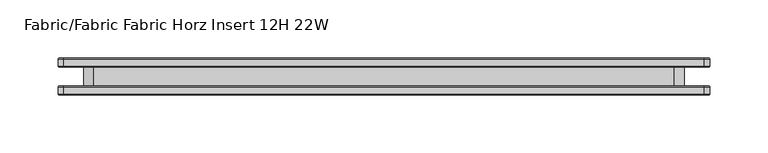
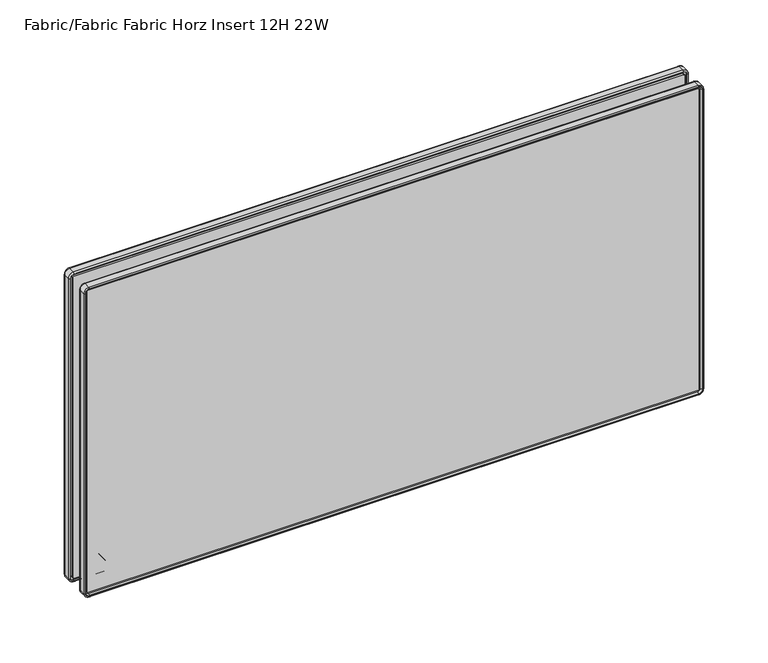
"""IFC4 building model written with IfcOpenShell, lengths in millimetres: furniture geometry, Fabric/Fabric Fabric Horz Insert 12H 22W."""

from ifc_helpers import new_model, si_unit, point, frame, frame_2d, origin, place, context, project, spatial, polyline, circle_curve, ellipse_curve, trimmed, segment, composite_curve, outline, extrude, source, transform, mapped, element, save
from ifc_brep_helpers import plane_surface, cylinder_surface, revolved_surface, advanced_brep


def fabric_fabric_fabric_horz_insert_12h_22w_8825d020(model_context):
    return source(origin(), model_context, "Body", "SolidModel", [
        extrude(outline(composite_curve([segment(trimmed(circle_curve(frame_2d((785.9258601, 60.6967824)), 14.2960031), [point((781.0834991, 47.2458625))], [point((772.4749402, 55.8544214))], False, "CARTESIAN"), True, "CONTINUOUS"), segment(polyline([(772.4749402, 55.8544214), (772.4749402, 553.7455786)]), True, "CONTINUOUS"), segment(trimmed(circle_curve(frame_2d((785.9258601, 548.9032176)), 14.2960031), [point((772.4749402, 553.7455786))], [point((780.5790258, 562.1616892))], False, "CARTESIAN"), True, "CONTINUOUS"), segment(polyline([(780.5790258, 562.1616892), (1019.5568063, 562.1616892)]), True, "CONTINUOUS"), segment(trimmed(circle_curve(frame_2d((1014.209972, 548.9032176)), 14.2960031), [point((1019.5568063, 562.1616892))], [point((1027.6608919, 553.7455786))], False, "CARTESIAN"), True, "CONTINUOUS"), segment(polyline([(1027.6608919, 553.7455786), (1027.6608919, 55.8544214)]), True, "CONTINUOUS"), segment(trimmed(circle_curve(frame_2d((1014.209972, 60.6967824)), 14.2960031), [point((1027.6608919, 55.8544214))], [point((1019.0523331, 47.2458625))], False, "CARTESIAN"), True, "CONTINUOUS"), segment(polyline([(1019.0523331, 47.2458625), (781.0834991, 47.2458625)]), True, "CONTINUOUS")], self_intersect=False)), frame((0.0, -7.9718968, 0.0), z_axis=(0.0, 1.0, 0.0), x_axis=(0.0, 0.0, 1.0)), (0.0, 0.0, 1.0), 15.9437935),
        extrude(outline(composite_curve([segment(trimmed(circle_curve(frame_2d((759.1475985, 29.8962491)), 0.8911416), [point((759.1475985, 29.0051075))], [point((758.256457, 29.8962491))], False, "CARTESIAN"), True, "CONTINUOUS"), segment(polyline([(758.256457, 29.8962491), (758.256457, 579.5091361)]), True, "CONTINUOUS"), segment(trimmed(circle_curve(frame_2d((759.1475985, 579.5091361)), 0.8911416), [point((758.256457, 579.5091361))], [point((759.1475985, 580.4002777))], False, "CARTESIAN"), True, "CONTINUOUS"), segment(polyline([(759.1475985, 580.4002777), (1045.010519, 580.4002777)]), True, "CONTINUOUS"), segment(trimmed(circle_curve(frame_2d((1045.010519, 579.5091361)), 0.8911416), [point((1045.010519, 580.4002777))], [point((1045.9016605, 579.5091361))], False, "CARTESIAN"), True, "CONTINUOUS"), segment(polyline([(1045.9016605, 579.5091361), (1045.9016605, 29.8962491)]), True, "CONTINUOUS"), segment(trimmed(circle_curve(frame_2d((1045.010519, 29.8962491)), 0.8911416), [point((1045.9016605, 29.8962491))], [point((1045.010519, 29.0051075))], False, "CARTESIAN"), True, "CONTINUOUS"), segment(polyline([(1045.010519, 29.0051075), (759.1475985, 29.0051075)]), True, "CONTINUOUS")], self_intersect=False)), frame((0.0, 7.9718968, 0.0), z_axis=(0.0, 1.0, 0.0), x_axis=(0.0, 0.0, 1.0)), (0.0, 0.0, 1.0), 6.1306313),
        extrude(outline(composite_curve([segment(polyline([(1045.010519, 29.0051075), (759.1475985, 29.0051075)]), True, "CONTINUOUS"), segment(trimmed(circle_curve(frame_2d((759.1475985, 29.8962491)), 0.8911416), [point((759.1475985, 29.0051075))], [point((758.256457, 29.8962491))], False, "CARTESIAN"), True, "CONTINUOUS"), segment(polyline([(758.256457, 29.8962491), (758.256457, 579.5091361)]), True, "CONTINUOUS"), segment(trimmed(circle_curve(frame_2d((759.1475985, 579.5091361)), 0.8911416), [point((758.256457, 579.5091361))], [point((759.1475985, 580.4002777))], False, "CARTESIAN"), True, "CONTINUOUS"), segment(polyline([(759.1475985, 580.4002777), (1045.010519, 580.4002777)]), True, "CONTINUOUS"), segment(trimmed(circle_curve(frame_2d((1045.010519, 579.5091361)), 0.8911416), [point((1045.010519, 580.4002777))], [point((1045.9016605, 579.5091361))], False, "CARTESIAN"), True, "CONTINUOUS"), segment(polyline([(1045.9016605, 579.5091361), (1045.9016605, 29.8962491)]), True, "CONTINUOUS"), segment(trimmed(circle_curve(frame_2d((1045.010519, 29.8962491)), 0.8911416), [point((1045.9016605, 29.8962491))], [point((1045.010519, 29.0051075))], False, "CARTESIAN"), True, "CONTINUOUS")], self_intersect=False)), frame((0.0, -14.102528, 0.0), z_axis=(0.0, 1.0, 0.0), x_axis=(0.0, 0.0, 1.0)), (0.0, 0.0, 1.0), 6.1306313),
        advanced_brep(
        [(582.9077917, -7.9718968, 759.1475985), (579.5091361, -7.9718968, 755.7489429), (579.5091361, -9.6721295, 755.7489429), (582.9077917, -9.6721295, 759.1475985), (584.0811361, -9.1452412, 759.1475985), (579.5091361, -9.1452412, 754.5755985), (584.0811361, -14.9826968, 759.1475985), (579.5091361, -14.9826968, 754.5755985), (583.2667038, -15.7971292, 759.1475985), (579.5091361, -15.7971292, 755.3900309), (580.4002777, -9.6721295, 759.1475985), (579.5091361, -9.6721295, 758.256457), (579.5091361, -14.102528, 758.256457), (580.4002777, -14.102528, 759.1475985), (582.9077917, -9.6721295, 1045.010519), (582.9077917, -7.9718968, 1045.010519), (584.0811361, -9.1452412, 1045.010519), (584.0811361, -14.9826968, 1045.010519), (583.2667038, -15.7971292, 1045.010519), (580.4002777, -14.102528, 1045.010519), (580.4002777, -9.6721295, 1045.010519), (579.5091361, -7.9718968, 1048.4091746), (579.5091361, -9.6721295, 1048.4091746), (579.5091361, -9.1452412, 1049.582519), (579.5091361, -14.9826968, 1049.582519), (579.5091361, -15.7971292, 1048.7680866), (579.5091361, -9.6721295, 1045.9016605), (579.5091361, -14.102528, 1045.9016605), (29.8962491, -9.6721295, 1048.4091746), (29.8962491, -7.9718968, 1048.4091746), (29.8962491, -9.1452412, 1049.582519), (29.8962491, -14.9826968, 1049.582519), (29.8962491, -15.7971292, 1048.7680866), (29.8962491, -14.102528, 1045.9016605), (29.8962491, -9.6721295, 1045.9016605), (26.4975935, -7.9718968, 1045.010519), (26.4975935, -9.6721295, 1045.010519), (25.3242491, -9.1452412, 1045.010519), (25.3242491, -14.9826968, 1045.010519), (26.1386815, -15.7971292, 1045.010519), (29.0051075, -9.6721295, 1045.010519), (29.0051075, -14.102528, 1045.010519), (26.4975935, -9.6721295, 759.1475985), (26.4975935, -7.9718968, 759.1475985), (25.3242491, -9.1452412, 759.1475985), (25.3242491, -14.9826968, 759.1475985), (26.1386815, -15.7971292, 759.1475985), (29.0051075, -14.102528, 759.1475985), (29.0051075, -9.6721295, 759.1475985), (29.8962491, -7.9718968, 755.7489429), (29.8962491, -9.6721295, 755.7489429), (29.8962491, -9.1452412, 754.5755985), (29.8962491, -14.9826968, 754.5755985), (29.8962491, -15.7971292, 755.3900309), (29.8962491, -9.6721295, 758.256457), (29.8962491, -14.102528, 758.256457), (579.5091361, -15.7971292, 756.2425504), (29.8962491, -15.7971292, 756.2425504), (26.991201, -15.7971292, 759.1475985), (26.991201, -15.7971292, 1045.010519), (29.8962491, -15.7971292, 1047.9155671), (579.5091361, -15.7971292, 1047.9155671), (582.4141842, -15.7971292, 1045.010519), (582.4141842, -15.7971292, 759.1475985), (581.7973998, -14.102528, 759.1475985), (579.5091361, -14.102528, 756.8593348), (581.7973998, -14.102528, 1045.010519), (579.5091361, -14.102528, 1047.2987827), (29.8962491, -14.102528, 1047.2987827), (27.6079854, -14.102528, 1045.010519), (27.6079854, -14.102528, 759.1475985), (29.8962491, -14.102528, 756.8593348)],
        [
            (0, 1, circle_curve(frame((579.5091361, -7.9718968, 759.1475985), z_axis=(0.0, 1.0, 0.0), x_axis=(0.0, 0.0, -1.0)), 3.3986556)),
            (1, 2),
            (2, 3, circle_curve(frame((579.5091361, -9.6721295, 759.1475985), z_axis=(0.0, -1.0, 0.0), x_axis=(0.0, 0.0, -1.0)), 3.3986556)),
            (3, 0),
            (4, 5, circle_curve(frame((579.5091361, -9.1452412, 759.1475985), z_axis=(0.0, 1.0, 0.0), x_axis=(0.0, 0.0, -1.0)), 4.572)),
            (5, 1, circle_curve(frame((579.5091361, -9.1452412, 755.7489429), z_axis=(1.0, 0.0, 0.0), x_axis=(0.0, 0.0, 1.0)), 1.1733444)),
            (0, 4, circle_curve(frame((582.9077917, -9.1452412, 759.1475985), z_axis=(0.0, 0.0, -1.0), x_axis=(-1.0, 0.0, 0.0)), 1.1733444)),
            (6, 7, circle_curve(frame((579.5091361, -14.9826968, 759.1475985), z_axis=(0.0, 1.0, 0.0), x_axis=(0.0, 0.0, -1.0)), 4.572)),
            (7, 5),
            (4, 6),
            (8, 9, circle_curve(frame((579.5091361, -15.7971292, 759.1475985), z_axis=(0.0, 1.0, 0.0), x_axis=(0.0, 0.0, -1.0)), 3.7575676)),
            (9, 7, circle_curve(frame((579.5091361, -14.9826968, 755.3900309), z_axis=(1.0, 0.0, 0.0), x_axis=(0.0, 0.0, 1.0)), 0.8144324)),
            (6, 8, circle_curve(frame((583.2667038, -14.9826968, 759.1475985), z_axis=(0.0, 0.0, -1.0), x_axis=(-1.0, 0.0, 0.0)), 0.8144324)),
            (10, 11, circle_curve(frame((579.5091361, -9.6721295, 759.1475985), z_axis=(0.0, 1.0, 0.0), x_axis=(0.0, 0.0, -1.0)), 0.8911416)),
            (11, 12),
            (12, 13, circle_curve(frame((579.5091361, -14.102528, 759.1475985), z_axis=(0.0, -1.0, 0.0), x_axis=(0.0, 0.0, -1.0)), 0.8911416)),
            (13, 10),
            (3, 14),
            (14, 15),
            (15, 0),
            (15, 16, circle_curve(frame((582.9077917, -9.1452412, 1045.010519), z_axis=(0.0, 0.0, -1.0), x_axis=(-1.0, 0.0, 0.0)), 1.1733444)),
            (16, 4),
            (16, 17),
            (17, 6),
            (17, 18, circle_curve(frame((583.2667038, -14.9826968, 1045.010519), z_axis=(0.0, 0.0, -1.0), x_axis=(-1.0, 0.0, 0.0)), 0.8144324)),
            (18, 8),
            (13, 19),
            (19, 20),
            (20, 10),
            (21, 15, circle_curve(frame((579.5091361, -7.9718968, 1045.010519), z_axis=(0.0, 1.0, 0.0), x_axis=(1.0, 0.0, 0.0)), 3.3986556)),
            (14, 22, circle_curve(frame((579.5091361, -9.6721295, 1045.010519), z_axis=(0.0, -1.0, 0.0), x_axis=(1.0, 0.0, 0.0)), 3.3986556)),
            (22, 21),
            (23, 16, circle_curve(frame((579.5091361, -9.1452412, 1045.010519), z_axis=(0.0, 1.0, 0.0), x_axis=(1.0, 0.0, 0.0)), 4.572)),
            (21, 23, circle_curve(frame((579.5091361, -9.1452412, 1048.4091746), z_axis=(1.0, 0.0, 0.0), x_axis=(0.0, 0.0, -1.0)), 1.1733444)),
            (24, 17, circle_curve(frame((579.5091361, -14.9826968, 1045.010519), z_axis=(0.0, 1.0, 0.0), x_axis=(1.0, 0.0, 0.0)), 4.572)),
            (23, 24),
            (25, 18, circle_curve(frame((579.5091361, -15.7971292, 1045.010519), z_axis=(0.0, 1.0, 0.0), x_axis=(1.0, 0.0, 0.0)), 3.7575676)),
            (24, 25, circle_curve(frame((579.5091361, -14.9826968, 1048.7680866), z_axis=(1.0, 0.0, 0.0), x_axis=(0.0, 0.0, -1.0)), 0.8144324)),
            (26, 20, circle_curve(frame((579.5091361, -9.6721295, 1045.010519), z_axis=(0.0, 1.0, 0.0), x_axis=(1.0, 0.0, 0.0)), 0.8911416)),
            (19, 27, circle_curve(frame((579.5091361, -14.102528, 1045.010519), z_axis=(0.0, -1.0, 0.0), x_axis=(1.0, 0.0, 0.0)), 0.8911416)),
            (27, 26),
            (22, 28),
            (28, 29),
            (29, 21),
            (29, 30, circle_curve(frame((29.8962491, -9.1452412, 1048.4091746), z_axis=(1.0, 0.0, 0.0), x_axis=(0.0, 0.0, -1.0)), 1.1733444)),
            (30, 23),
            (30, 31),
            (31, 24),
            (31, 32, circle_curve(frame((29.8962491, -14.9826968, 1048.7680866), z_axis=(1.0, 0.0, 0.0), x_axis=(0.0, 0.0, -1.0)), 0.8144324)),
            (32, 25),
            (27, 33),
            (33, 34),
            (34, 26),
            (35, 29, circle_curve(frame((29.8962491, -7.9718968, 1045.010519), z_axis=(0.0, 1.0, 0.0), x_axis=(0.0, 0.0, 1.0)), 3.3986556)),
            (28, 36, circle_curve(frame((29.8962491, -9.6721295, 1045.010519), z_axis=(0.0, -1.0, 0.0), x_axis=(0.0, 0.0, 1.0)), 3.3986556)),
            (36, 35),
            (37, 30, circle_curve(frame((29.8962491, -9.1452412, 1045.010519), z_axis=(0.0, 1.0, 0.0), x_axis=(0.0, 0.0, 1.0)), 4.572)),
            (35, 37, circle_curve(frame((26.4975935, -9.1452412, 1045.010519), z_axis=(0.0, 0.0, 1.0), x_axis=(1.0, 0.0, 0.0)), 1.1733444)),
            (38, 31, circle_curve(frame((29.8962491, -14.9826968, 1045.010519), z_axis=(0.0, 1.0, 0.0), x_axis=(0.0, 0.0, 1.0)), 4.572)),
            (37, 38),
            (39, 32, circle_curve(frame((29.8962491, -15.7971292, 1045.010519), z_axis=(0.0, 1.0, 0.0), x_axis=(0.0, 0.0, 1.0)), 3.7575676)),
            (38, 39, circle_curve(frame((26.1386815, -14.9826968, 1045.010519), z_axis=(0.0, 0.0, 1.0), x_axis=(1.0, 0.0, 0.0)), 0.8144324)),
            (40, 34, circle_curve(frame((29.8962491, -9.6721295, 1045.010519), z_axis=(0.0, 1.0, 0.0), x_axis=(0.0, 0.0, 1.0)), 0.8911416)),
            (33, 41, circle_curve(frame((29.8962491, -14.102528, 1045.010519), z_axis=(0.0, -1.0, 0.0), x_axis=(0.0, 0.0, 1.0)), 0.8911416)),
            (41, 40),
            (36, 42),
            (42, 43),
            (43, 35),
            (43, 44, circle_curve(frame((26.4975935, -9.1452412, 759.1475985), z_axis=(0.0, 0.0, 1.0), x_axis=(1.0, 0.0, 0.0)), 1.1733444)),
            (44, 37),
            (44, 45),
            (45, 38),
            (45, 46, circle_curve(frame((26.1386815, -14.9826968, 759.1475985), z_axis=(0.0, 0.0, 1.0), x_axis=(1.0, 0.0, 0.0)), 0.8144324)),
            (46, 39),
            (41, 47),
            (47, 48),
            (48, 40),
            (49, 43, circle_curve(frame((29.8962491, -7.9718968, 759.1475985), z_axis=(0.0, 1.0, 0.0), x_axis=(-1.0, 0.0, 0.0)), 3.3986556)),
            (42, 50, circle_curve(frame((29.8962491, -9.6721295, 759.1475985), z_axis=(0.0, -1.0, 0.0), x_axis=(-1.0, 0.0, 0.0)), 3.3986556)),
            (50, 49),
            (51, 44, circle_curve(frame((29.8962491, -9.1452412, 759.1475985), z_axis=(0.0, 1.0, 0.0), x_axis=(-1.0, 0.0, 0.0)), 4.572)),
            (49, 51, circle_curve(frame((29.8962491, -9.1452412, 755.7489429), z_axis=(-1.0, 0.0, 0.0), x_axis=(0.0, 0.0, 1.0)), 1.1733444)),
            (52, 45, circle_curve(frame((29.8962491, -14.9826968, 759.1475985), z_axis=(0.0, 1.0, 0.0), x_axis=(-1.0, 0.0, 0.0)), 4.572)),
            (51, 52),
            (53, 46, circle_curve(frame((29.8962491, -15.7971292, 759.1475985), z_axis=(0.0, 1.0, 0.0), x_axis=(-1.0, 0.0, 0.0)), 3.7575676)),
            (52, 53, circle_curve(frame((29.8962491, -14.9826968, 755.3900309), z_axis=(-1.0, 0.0, 0.0), x_axis=(0.0, 0.0, 1.0)), 0.8144324)),
            (54, 48, circle_curve(frame((29.8962491, -9.6721295, 759.1475985), z_axis=(0.0, 1.0, 0.0), x_axis=(-1.0, 0.0, 0.0)), 0.8911416)),
            (47, 55, circle_curve(frame((29.8962491, -14.102528, 759.1475985), z_axis=(0.0, -1.0, 0.0), x_axis=(-1.0, 0.0, 0.0)), 0.8911416)),
            (55, 54),
            (2, 50),
            (54, 11),
            (1, 49),
            (5, 51),
            (7, 52),
            (9, 53),
            (56, 57),
            (57, 58, circle_curve(frame((29.8962491, -15.7971292, 759.1475985), z_axis=(0.0, 1.0, 0.0), x_axis=(-1.0, 0.0, 0.0)), 2.9050481)),
            (58, 59),
            (59, 60, circle_curve(frame((29.8962491, -15.7971292, 1045.010519), z_axis=(0.0, 1.0, 0.0), x_axis=(0.0, 0.0, 1.0)), 2.9050481)),
            (60, 61),
            (61, 62, circle_curve(frame((579.5091361, -15.7971292, 1045.010519), z_axis=(0.0, 1.0, 0.0), x_axis=(1.0, 0.0, 0.0)), 2.9050481)),
            (62, 63),
            (63, 56, circle_curve(frame((579.5091361, -15.7971292, 759.1475985), z_axis=(0.0, 1.0, 0.0), x_axis=(0.0, 0.0, -1.0)), 2.9050481)),
            (55, 12),
            (64, 65, circle_curve(frame((579.5091361, -14.102528, 759.1475985), z_axis=(0.0, 1.0, 0.0), x_axis=(0.0, 0.0, -1.0)), 2.2882637)),
            (65, 56),
            (63, 64),
            (62, 66),
            (66, 64),
            (67, 66, circle_curve(frame((579.5091361, -14.102528, 1045.010519), z_axis=(0.0, 1.0, 0.0), x_axis=(1.0, 0.0, 0.0)), 2.2882637)),
            (61, 67),
            (60, 68),
            (68, 67),
            (69, 68, circle_curve(frame((29.8962491, -14.102528, 1045.010519), z_axis=(0.0, 1.0, 0.0), x_axis=(0.0, 0.0, 1.0)), 2.2882637)),
            (59, 69),
            (58, 70),
            (70, 69),
            (71, 70, circle_curve(frame((29.8962491, -14.102528, 759.1475985), z_axis=(0.0, 1.0, 0.0), x_axis=(-1.0, 0.0, 0.0)), 2.2882637)),
            (57, 71),
            (65, 71),
        ],
        [
            revolved_surface(polyline([(579.5091361, -9.6721295, 755.7489429), (579.5091361, -7.9718968, 755.7489429)]), (579.5091361, 0.0, 759.1475985), (0.0, -1.0, 0.0)),
            revolved_surface(trimmed(ellipse_curve(frame((579.5091361, -9.1452412, 755.7489429), z_axis=(-1.0, 0.0, 0.0), x_axis=(0.0, 0.0, 1.0)), 1.1733444, 1.1733444), [point((579.5091361, -7.9718968, 755.7489429))], [point((579.5091361, -9.1452412, 754.5755985))], True, "CARTESIAN"), (579.5091361, 0.0, 759.1475985), (0.0, -1.0, 0.0)),
            cylinder_surface(frame((579.5091361, 0.0, 759.1475985), z_axis=(0.0, -1.0, 0.0), x_axis=(0.0, 0.0, -1.0)), 4.572),
            revolved_surface(trimmed(ellipse_curve(frame((579.5091361, -14.9826968, 755.3900309), z_axis=(-1.0, 0.0, 0.0), x_axis=(0.0, 0.0, 1.0)), 0.8144324, 0.8144324), [point((579.5091361, -14.9826968, 754.5755985))], [point((579.5091361, -15.7971292, 755.3900309))], True, "CARTESIAN"), (579.5091361, 0.0, 759.1475985), (0.0, -1.0, 0.0)),
            revolved_surface(polyline([(579.5091361, -14.102528, 758.2564569), (579.5091361, -9.6721295, 758.2564569)]), (579.5091361, 0.0, 759.1475985), (0.0, -1.0, 0.0)),
            plane_surface(frame((582.9077917, -9.6721295, 759.1475985), z_axis=(-1.0, 0.0, 0.0), x_axis=(0.0, 0.0, 1.0))),
            cylinder_surface(frame((582.9077917, -9.1452412, 759.1475985), z_axis=(0.0, 0.0, -1.0), x_axis=(-1.0, 0.0, 0.0)), 1.1733444),
            plane_surface(frame((584.0811361, -9.1452412, 759.1475985), z_axis=(1.0, 0.0, 0.0), x_axis=(0.0, 0.0, 1.0))),
            cylinder_surface(frame((583.2667038, -14.9826968, 759.1475985), z_axis=(0.0, 0.0, -1.0), x_axis=(-1.0, 0.0, 0.0)), 0.8144324),
            plane_surface(frame((580.4002777, -14.102528, 759.1475985), z_axis=(-1.0, 0.0, 0.0), x_axis=(0.0, 0.0, 1.0))),
            revolved_surface(polyline([(582.9077917, -9.6721295, 1045.010519), (582.9077917, -7.9718968, 1045.010519)]), (579.5091361, 0.0, 1045.010519), (0.0, -1.0, 0.0)),
            revolved_surface(trimmed(ellipse_curve(frame((582.9077917, -9.1452412, 1045.010519), z_axis=(0.0, 0.0, -1.0), x_axis=(-1.0, 0.0, 0.0)), 1.1733444, 1.1733444), [point((582.9077917, -7.9718968, 1045.010519))], [point((584.0811361, -9.1452412, 1045.010519))], True, "CARTESIAN"), (579.5091361, 0.0, 1045.010519), (0.0, -1.0, 0.0)),
            cylinder_surface(frame((579.5091361, 0.0, 1045.010519), z_axis=(0.0, -1.0, 0.0), x_axis=(1.0, 0.0, 0.0)), 4.572),
            revolved_surface(trimmed(ellipse_curve(frame((583.2667038, -14.9826968, 1045.010519), z_axis=(0.0, 0.0, -1.0), x_axis=(-1.0, 0.0, 0.0)), 0.8144324, 0.8144324), [point((584.0811361, -14.9826968, 1045.010519))], [point((583.2667038, -15.7971292, 1045.010519))], True, "CARTESIAN"), (579.5091361, 0.0, 1045.010519), (0.0, -1.0, 0.0)),
            revolved_surface(polyline([(580.4002777, -14.102528, 1045.010519), (580.4002777, -9.6721295, 1045.010519)]), (579.5091361, 0.0, 1045.010519), (0.0, -1.0, 0.0)),
            plane_surface(frame((579.5091361, -9.6721295, 1048.4091746), z_axis=(0.0, 0.0, -1.0), x_axis=(-1.0, 0.0, 0.0))),
            cylinder_surface(frame((579.5091361, -9.1452412, 1048.4091746), z_axis=(1.0, 0.0, 0.0), x_axis=(0.0, 0.0, -1.0)), 1.1733444),
            plane_surface(frame((579.5091361, -9.1452412, 1049.582519), z_axis=(0.0, 0.0, 1.0), x_axis=(-1.0, 0.0, 0.0))),
            cylinder_surface(frame((579.5091361, -14.9826968, 1048.7680866), z_axis=(1.0, 0.0, 0.0), x_axis=(0.0, 0.0, -1.0)), 0.8144324),
            plane_surface(frame((579.5091361, -14.102528, 1045.9016605), z_axis=(0.0, 0.0, -1.0), x_axis=(-1.0, 0.0, 0.0))),
            revolved_surface(polyline([(29.8962491, -9.6721295, 1048.4091746), (29.8962491, -7.9718968, 1048.4091746)]), (29.8962491, 0.0, 1045.010519), (0.0, -1.0, 0.0)),
            revolved_surface(trimmed(ellipse_curve(frame((29.8962491, -9.1452412, 1048.4091746), z_axis=(1.0, 0.0, 0.0), x_axis=(0.0, 0.0, -1.0)), 1.1733444, 1.1733444), [point((29.8962491, -7.9718968, 1048.4091746))], [point((29.8962491, -9.1452412, 1049.582519))], True, "CARTESIAN"), (29.8962491, 0.0, 1045.010519), (0.0, -1.0, 0.0)),
            cylinder_surface(frame((29.8962491, 0.0, 1045.010519), z_axis=(0.0, -1.0, 0.0), x_axis=(0.0, 0.0, 1.0)), 4.572),
            revolved_surface(trimmed(ellipse_curve(frame((29.8962491, -14.9826968, 1048.7680866), z_axis=(1.0, 0.0, 0.0), x_axis=(0.0, 0.0, -1.0)), 0.8144324, 0.8144324), [point((29.8962491, -14.9826968, 1049.582519))], [point((29.8962491, -15.7971292, 1048.7680866))], True, "CARTESIAN"), (29.8962491, 0.0, 1045.010519), (0.0, -1.0, 0.0)),
            revolved_surface(polyline([(29.8962491, -14.102528, 1045.9016606), (29.8962491, -9.6721295, 1045.9016606)]), (29.8962491, 0.0, 1045.010519), (0.0, -1.0, 0.0)),
            plane_surface(frame((26.4975935, -9.6721295, 1045.010519), z_axis=(1.0, 0.0, 0.0), x_axis=(0.0, 0.0, -1.0))),
            cylinder_surface(frame((26.4975935, -9.1452412, 1045.010519), z_axis=(0.0, 0.0, 1.0), x_axis=(1.0, 0.0, 0.0)), 1.1733444),
            plane_surface(frame((25.3242491, -9.1452412, 1045.010519), z_axis=(-1.0, 0.0, 0.0), x_axis=(0.0, 0.0, -1.0))),
            cylinder_surface(frame((26.1386815, -14.9826968, 1045.010519), z_axis=(0.0, 0.0, 1.0), x_axis=(1.0, 0.0, 0.0)), 0.8144324),
            plane_surface(frame((29.0051075, -14.102528, 1045.010519), z_axis=(1.0, 0.0, 0.0), x_axis=(0.0, 0.0, -1.0))),
            revolved_surface(polyline([(26.497593499999997, -9.6721295, 759.1475985), (26.497593499999997, -7.9718968, 759.1475985)]), (29.8962491, 0.0, 759.1475985), (0.0, -1.0, 0.0)),
            revolved_surface(trimmed(ellipse_curve(frame((26.4975935, -9.1452412, 759.1475985), z_axis=(0.0, 0.0, 1.0), x_axis=(1.0, 0.0, 0.0)), 1.1733444, 1.1733444), [point((26.4975935, -7.9718968, 759.1475985))], [point((25.3242491, -9.1452412, 759.1475985))], True, "CARTESIAN"), (29.8962491, 0.0, 759.1475985), (0.0, -1.0, 0.0)),
            cylinder_surface(frame((29.8962491, 0.0, 759.1475985), z_axis=(0.0, -1.0, 0.0), x_axis=(-1.0, 0.0, 0.0)), 4.572),
            revolved_surface(trimmed(ellipse_curve(frame((26.1386815, -14.9826968, 759.1475985), z_axis=(0.0, 0.0, 1.0), x_axis=(1.0, 0.0, 0.0)), 0.8144324, 0.8144324), [point((25.3242491, -14.9826968, 759.1475985))], [point((26.1386815, -15.7971292, 759.1475985))], True, "CARTESIAN"), (29.8962491, 0.0, 759.1475985), (0.0, -1.0, 0.0)),
            revolved_surface(polyline([(29.005107499999998, -14.102528, 759.1475985), (29.005107499999998, -9.6721295, 759.1475985)]), (29.8962491, 0.0, 759.1475985), (0.0, -1.0, 0.0)),
            plane_surface(frame((29.8962491, -9.6721295, 758.256457), z_axis=(0.0, 1.0, 0.0), x_axis=(1.0, 0.0, 0.0))),
            plane_surface(frame((29.8962491, -9.6721295, 755.7489429), z_axis=(0.0, 0.0, 1.0), x_axis=(1.0, 0.0, 0.0))),
            cylinder_surface(frame((29.8962491, -9.1452412, 755.7489429), z_axis=(-1.0, 0.0, 0.0), x_axis=(0.0, 0.0, 1.0)), 1.1733444),
            plane_surface(frame((29.8962491, -9.1452412, 754.5755985), z_axis=(0.0, 0.0, -1.0), x_axis=(1.0, 0.0, 0.0))),
            cylinder_surface(frame((29.8962491, -14.9826968, 755.3900309), z_axis=(-1.0, 0.0, 0.0), x_axis=(0.0, 0.0, 1.0)), 0.8144324),
            plane_surface(frame((29.8962491, -15.7971292, 755.3900309), z_axis=(0.0, -1.0, 0.0), x_axis=(1.0, 0.0, 0.0))),
            plane_surface(frame((29.8962491, -14.102528, 758.256457), z_axis=(0.0, 0.0, 1.0), x_axis=(1.0, 0.0, 0.0))),
            revolved_surface(polyline([(579.5091361, -15.7971292, 756.2425504), (579.5091361, -14.102528, 756.8593348)]), (579.5091361, 0.0, 759.1475985), (0.0, -1.0, 0.0)),
            plane_surface(frame((582.4141842, -15.7971292, 759.1475985), z_axis=(-0.9396926207859183, -0.34202014332564146, 0.0), x_axis=(0.0, 0.0, 1.0))),
            revolved_surface(polyline([(582.4141842, -15.7971292, 1045.010519), (581.7973998, -14.102528, 1045.010519)]), (579.5091361, 0.0, 1045.010519), (0.0, -1.0, 0.0)),
            plane_surface(frame((579.5091361, -15.7971292, 1047.9155671), z_axis=(0.0, -0.34202014332564146, -0.9396926207859183), x_axis=(-1.0, 0.0, 0.0))),
            revolved_surface(polyline([(29.8962491, -15.7971292, 1047.9155671), (29.8962491, -14.102528, 1047.2987827)]), (29.8962491, 0.0, 1045.010519), (0.0, -1.0, 0.0)),
            plane_surface(frame((26.991201, -15.7971292, 1045.010519), z_axis=(0.9396926207859183, -0.34202014332564146, 0.0), x_axis=(0.0, 0.0, -1.0))),
            revolved_surface(polyline([(26.991201, -15.7971292, 759.1475985), (27.6079854, -14.102528, 759.1475985)]), (29.8962491, 0.0, 759.1475985), (0.0, -1.0, 0.0)),
            plane_surface(frame((29.8962491, -15.7971292, 756.2425504), z_axis=(0.0, -0.34202014332564146, 0.9396926207859183), x_axis=(1.0, 0.0, 0.0))),
            plane_surface(frame((29.8962491, -14.102528, 756.8593348), z_axis=(0.0, -1.0, 0.0), x_axis=(1.0, 0.0, 0.0))),
        ],
        [
            (0, [[1, 2, 3, 4]]),
            (1, [[5, 6, -1, 7]]),
            (2, [[8, 9, -5, 10]]),
            (3, [[11, 12, -8, 13]]),
            (4, [[14, 15, 16, 17]]),
            (5, [[-4, 18, 19, 20]]),
            (6, [[-7, -20, 21, 22]]),
            (7, [[-10, -22, 23, 24]]),
            (8, [[-13, -24, 25, 26]]),
            (9, [[-17, 27, 28, 29]]),
            (10, [[30, -19, 31, 32]]),
            (11, [[33, -21, -30, 34]]),
            (12, [[35, -23, -33, 36]]),
            (13, [[37, -25, -35, 38]]),
            (14, [[39, -28, 40, 41]]),
            (15, [[-32, 42, 43, 44]]),
            (16, [[-34, -44, 45, 46]]),
            (17, [[-36, -46, 47, 48]]),
            (18, [[-38, -48, 49, 50]]),
            (19, [[-41, 51, 52, 53]]),
            (20, [[54, -43, 55, 56]]),
            (21, [[57, -45, -54, 58]]),
            (22, [[59, -47, -57, 60]]),
            (23, [[61, -49, -59, 62]]),
            (24, [[63, -52, 64, 65]]),
            (25, [[-56, 66, 67, 68]]),
            (26, [[-58, -68, 69, 70]]),
            (27, [[-60, -70, 71, 72]]),
            (28, [[-62, -72, 73, 74]]),
            (29, [[-65, 75, 76, 77]]),
            (30, [[78, -67, 79, 80]]),
            (31, [[81, -69, -78, 82]]),
            (32, [[83, -71, -81, 84]]),
            (33, [[85, -73, -83, 86]]),
            (34, [[87, -76, 88, 89]]),
            (35, [[90, -79, -66, -55, -42, -31, -18, -3], [-77, -87, 91, -14, -29, -39, -53, -63]]),
            (36, [[-80, -90, -2, 92]]),
            (37, [[-82, -92, -6, 93]]),
            (38, [[-84, -93, -9, 94]]),
            (39, [[-86, -94, -12, 95]]),
            (40, [[-74, -85, -95, -11, -26, -37, -50, -61], [96, 97, 98, 99, 100, 101, 102, 103]]),
            (41, [[-89, 104, -15, -91]]),
            (42, [[105, 106, -103, 107]]),
            (43, [[-107, -102, 108, 109]]),
            (44, [[110, -108, -101, 111]]),
            (45, [[-111, -100, 112, 113]]),
            (46, [[114, -112, -99, 115]]),
            (47, [[-115, -98, 116, 117]]),
            (48, [[118, -116, -97, 119]]),
            (49, [[-119, -96, -106, 120]]),
            (50, [[-117, -118, -120, -105, -109, -110, -113, -114], [-104, -88, -75, -64, -51, -40, -27, -16]]),
        ],
    ),
        advanced_brep(
        [(580.4002777, 14.102528, 759.1475985), (579.5091361, 14.102528, 758.256457), (579.5091361, 9.6721295, 758.256457), (580.4002777, 9.6721295, 759.1475985), (582.4141842, 15.7971292, 759.1475985), (579.5091361, 15.7971292, 756.2425504), (579.5091361, 14.102528, 756.8593348), (581.7973998, 14.102528, 759.1475985), (584.0811361, 14.9826968, 759.1475985), (579.5091361, 14.9826968, 754.5755985), (579.5091361, 15.7971292, 755.3900309), (583.2667038, 15.7971292, 759.1475985), (584.0811361, 9.1452412, 759.1475985), (579.5091361, 9.1452412, 754.5755985), (582.9077917, 7.9718968, 759.1475985), (579.5091361, 7.9718968, 755.7489429), (582.9077917, 9.6721295, 759.1475985), (579.5091361, 9.6721295, 755.7489429), (580.4002777, 9.6721295, 1045.010519), (580.4002777, 14.102528, 1045.010519), (581.7973998, 14.102528, 1045.010519), (582.4141842, 15.7971292, 1045.010519), (583.2667038, 15.7971292, 1045.010519), (584.0811361, 14.9826968, 1045.010519), (584.0811361, 9.1452412, 1045.010519), (582.9077917, 7.9718968, 1045.010519), (582.9077917, 9.6721295, 1045.010519), (579.5091361, 14.102528, 1045.9016605), (579.5091361, 9.6721295, 1045.9016605), (579.5091361, 15.7971292, 1047.9155671), (579.5091361, 14.102528, 1047.2987827), (579.5091361, 14.9826968, 1049.582519), (579.5091361, 15.7971292, 1048.7680866), (579.5091361, 9.1452412, 1049.582519), (579.5091361, 7.9718968, 1048.4091746), (579.5091361, 9.6721295, 1048.4091746), (29.8962491, 9.6721295, 1045.9016605), (29.8962491, 14.102528, 1045.9016605), (29.8962491, 14.102528, 1047.2987827), (29.8962491, 15.7971292, 1047.9155671), (29.8962491, 15.7971292, 1048.7680866), (29.8962491, 14.9826968, 1049.582519), (29.8962491, 9.1452412, 1049.582519), (29.8962491, 7.9718968, 1048.4091746), (29.8962491, 9.6721295, 1048.4091746), (29.0051075, 14.102528, 1045.010519), (29.0051075, 9.6721295, 1045.010519), (26.991201, 15.7971292, 1045.010519), (27.6079854, 14.102528, 1045.010519), (25.3242491, 14.9826968, 1045.010519), (26.1386815, 15.7971292, 1045.010519), (25.3242491, 9.1452412, 1045.010519), (26.4975935, 7.9718968, 1045.010519), (26.4975935, 9.6721295, 1045.010519), (29.0051075, 9.6721295, 759.1475985), (29.0051075, 14.102528, 759.1475985), (27.6079854, 14.102528, 759.1475985), (26.991201, 15.7971292, 759.1475985), (26.1386815, 15.7971292, 759.1475985), (25.3242491, 14.9826968, 759.1475985), (25.3242491, 9.1452412, 759.1475985), (26.4975935, 7.9718968, 759.1475985), (26.4975935, 9.6721295, 759.1475985), (29.8962491, 14.102528, 758.256457), (29.8962491, 9.6721295, 758.256457), (29.8962491, 15.7971292, 756.2425504), (29.8962491, 14.102528, 756.8593348), (29.8962491, 14.9826968, 754.5755985), (29.8962491, 15.7971292, 755.3900309), (29.8962491, 9.1452412, 754.5755985), (29.8962491, 7.9718968, 755.7489429), (29.8962491, 9.6721295, 755.7489429)],
        [
            (0, 1, circle_curve(frame((579.5091361, 14.102528, 759.1475985), z_axis=(0.0, 1.0, 0.0), x_axis=(0.0, 0.0, -1.0)), 0.8911416)),
            (1, 2),
            (2, 3, circle_curve(frame((579.5091361, 9.6721295, 759.1475985), z_axis=(0.0, -1.0, 0.0), x_axis=(0.0, 0.0, -1.0)), 0.8911416)),
            (3, 0),
            (4, 5, circle_curve(frame((579.5091361, 15.7971292, 759.1475985), z_axis=(0.0, 1.0, 0.0), x_axis=(0.0, 0.0, -1.0)), 2.9050481)),
            (5, 6),
            (6, 7, circle_curve(frame((579.5091361, 14.102528, 759.1475985), z_axis=(0.0, -1.0, 0.0), x_axis=(0.0, 0.0, -1.0)), 2.2882637)),
            (7, 4),
            (8, 9, circle_curve(frame((579.5091361, 14.9826968, 759.1475985), z_axis=(0.0, 1.0, 0.0), x_axis=(0.0, 0.0, -1.0)), 4.572)),
            (9, 10, circle_curve(frame((579.5091361, 14.9826968, 755.3900309), z_axis=(1.0, 0.0, 0.0), x_axis=(0.0, 0.0, 1.0)), 0.8144324)),
            (10, 11, circle_curve(frame((579.5091361, 15.7971292, 759.1475985), z_axis=(0.0, -1.0, 0.0), x_axis=(0.0, 0.0, -1.0)), 3.7575676)),
            (11, 8, circle_curve(frame((583.2667038, 14.9826968, 759.1475985), z_axis=(0.0, 0.0, -1.0), x_axis=(-1.0, 0.0, 0.0)), 0.8144324)),
            (12, 13, circle_curve(frame((579.5091361, 9.1452412, 759.1475985), z_axis=(0.0, 1.0, 0.0), x_axis=(0.0, 0.0, -1.0)), 4.572)),
            (13, 9),
            (8, 12),
            (14, 15, circle_curve(frame((579.5091361, 7.9718968, 759.1475985), z_axis=(0.0, 1.0, 0.0), x_axis=(0.0, 0.0, -1.0)), 3.3986556)),
            (15, 13, circle_curve(frame((579.5091361, 9.1452412, 755.7489429), z_axis=(1.0, 0.0, 0.0), x_axis=(0.0, 0.0, 1.0)), 1.1733444)),
            (12, 14, circle_curve(frame((582.9077917, 9.1452412, 759.1475985), z_axis=(0.0, 0.0, -1.0), x_axis=(-1.0, 0.0, 0.0)), 1.1733444)),
            (16, 17, circle_curve(frame((579.5091361, 9.6721295, 759.1475985), z_axis=(0.0, 1.0, 0.0), x_axis=(0.0, 0.0, -1.0)), 3.3986556)),
            (17, 15),
            (14, 16),
            (3, 18),
            (18, 19),
            (19, 0),
            (7, 20),
            (20, 21),
            (21, 4),
            (11, 22),
            (22, 23, circle_curve(frame((583.2667038, 14.9826968, 1045.010519), z_axis=(0.0, 0.0, -1.0), x_axis=(-1.0, 0.0, 0.0)), 0.8144324)),
            (23, 8),
            (23, 24),
            (24, 12),
            (24, 25, circle_curve(frame((582.9077917, 9.1452412, 1045.010519), z_axis=(0.0, 0.0, -1.0), x_axis=(-1.0, 0.0, 0.0)), 1.1733444)),
            (25, 14),
            (25, 26),
            (26, 16),
            (27, 19, circle_curve(frame((579.5091361, 14.102528, 1045.010519), z_axis=(0.0, 1.0, 0.0), x_axis=(1.0, 0.0, 0.0)), 0.8911416)),
            (18, 28, circle_curve(frame((579.5091361, 9.6721295, 1045.010519), z_axis=(0.0, -1.0, 0.0), x_axis=(1.0, 0.0, 0.0)), 0.8911416)),
            (28, 27),
            (29, 21, circle_curve(frame((579.5091361, 15.7971292, 1045.010519), z_axis=(0.0, 1.0, 0.0), x_axis=(1.0, 0.0, 0.0)), 2.9050481)),
            (20, 30, circle_curve(frame((579.5091361, 14.102528, 1045.010519), z_axis=(0.0, -1.0, 0.0), x_axis=(1.0, 0.0, 0.0)), 2.2882637)),
            (30, 29),
            (31, 23, circle_curve(frame((579.5091361, 14.9826968, 1045.010519), z_axis=(0.0, 1.0, 0.0), x_axis=(1.0, 0.0, 0.0)), 4.572)),
            (22, 32, circle_curve(frame((579.5091361, 15.7971292, 1045.010519), z_axis=(0.0, -1.0, 0.0), x_axis=(1.0, 0.0, 0.0)), 3.7575676)),
            (32, 31, circle_curve(frame((579.5091361, 14.9826968, 1048.7680866), z_axis=(1.0, 0.0, 0.0), x_axis=(0.0, 0.0, -1.0)), 0.8144324)),
            (33, 24, circle_curve(frame((579.5091361, 9.1452412, 1045.010519), z_axis=(0.0, 1.0, 0.0), x_axis=(1.0, 0.0, 0.0)), 4.572)),
            (31, 33),
            (34, 25, circle_curve(frame((579.5091361, 7.9718968, 1045.010519), z_axis=(0.0, 1.0, 0.0), x_axis=(1.0, 0.0, 0.0)), 3.3986556)),
            (33, 34, circle_curve(frame((579.5091361, 9.1452412, 1048.4091746), z_axis=(1.0, 0.0, 0.0), x_axis=(0.0, 0.0, -1.0)), 1.1733444)),
            (35, 26, circle_curve(frame((579.5091361, 9.6721295, 1045.010519), z_axis=(0.0, 1.0, 0.0), x_axis=(1.0, 0.0, 0.0)), 3.3986556)),
            (34, 35),
            (28, 36),
            (36, 37),
            (37, 27),
            (30, 38),
            (38, 39),
            (39, 29),
            (32, 40),
            (40, 41, circle_curve(frame((29.8962491, 14.9826968, 1048.7680866), z_axis=(1.0, 0.0, 0.0), x_axis=(0.0, 0.0, -1.0)), 0.8144324)),
            (41, 31),
            (41, 42),
            (42, 33),
            (42, 43, circle_curve(frame((29.8962491, 9.1452412, 1048.4091746), z_axis=(1.0, 0.0, 0.0), x_axis=(0.0, 0.0, -1.0)), 1.1733444)),
            (43, 34),
            (43, 44),
            (44, 35),
            (45, 37, circle_curve(frame((29.8962491, 14.102528, 1045.010519), z_axis=(0.0, 1.0, 0.0), x_axis=(0.0, 0.0, 1.0)), 0.8911416)),
            (36, 46, circle_curve(frame((29.8962491, 9.6721295, 1045.010519), z_axis=(0.0, -1.0, 0.0), x_axis=(0.0, 0.0, 1.0)), 0.8911416)),
            (46, 45),
            (47, 39, circle_curve(frame((29.8962491, 15.7971292, 1045.010519), z_axis=(0.0, 1.0, 0.0), x_axis=(0.0, 0.0, 1.0)), 2.9050481)),
            (38, 48, circle_curve(frame((29.8962491, 14.102528, 1045.010519), z_axis=(0.0, -1.0, 0.0), x_axis=(0.0, 0.0, 1.0)), 2.2882637)),
            (48, 47),
            (49, 41, circle_curve(frame((29.8962491, 14.9826968, 1045.010519), z_axis=(0.0, 1.0, 0.0), x_axis=(0.0, 0.0, 1.0)), 4.572)),
            (40, 50, circle_curve(frame((29.8962491, 15.7971292, 1045.010519), z_axis=(0.0, -1.0, 0.0), x_axis=(0.0, 0.0, 1.0)), 3.7575676)),
            (50, 49, circle_curve(frame((26.1386815, 14.9826968, 1045.010519), z_axis=(0.0, 0.0, 1.0), x_axis=(1.0, 0.0, 0.0)), 0.8144324)),
            (51, 42, circle_curve(frame((29.8962491, 9.1452412, 1045.010519), z_axis=(0.0, 1.0, 0.0), x_axis=(0.0, 0.0, 1.0)), 4.572)),
            (49, 51),
            (52, 43, circle_curve(frame((29.8962491, 7.9718968, 1045.010519), z_axis=(0.0, 1.0, 0.0), x_axis=(0.0, 0.0, 1.0)), 3.3986556)),
            (51, 52, circle_curve(frame((26.4975935, 9.1452412, 1045.010519), z_axis=(0.0, 0.0, 1.0), x_axis=(1.0, 0.0, 0.0)), 1.1733444)),
            (53, 44, circle_curve(frame((29.8962491, 9.6721295, 1045.010519), z_axis=(0.0, 1.0, 0.0), x_axis=(0.0, 0.0, 1.0)), 3.3986556)),
            (52, 53),
            (46, 54),
            (54, 55),
            (55, 45),
            (48, 56),
            (56, 57),
            (57, 47),
            (50, 58),
            (58, 59, circle_curve(frame((26.1386815, 14.9826968, 759.1475985), z_axis=(0.0, 0.0, 1.0), x_axis=(1.0, 0.0, 0.0)), 0.8144324)),
            (59, 49),
            (59, 60),
            (60, 51),
            (60, 61, circle_curve(frame((26.4975935, 9.1452412, 759.1475985), z_axis=(0.0, 0.0, 1.0), x_axis=(1.0, 0.0, 0.0)), 1.1733444)),
            (61, 52),
            (61, 62),
            (62, 53),
            (63, 55, circle_curve(frame((29.8962491, 14.102528, 759.1475985), z_axis=(0.0, 1.0, 0.0), x_axis=(-1.0, 0.0, 0.0)), 0.8911416)),
            (54, 64, circle_curve(frame((29.8962491, 9.6721295, 759.1475985), z_axis=(0.0, -1.0, 0.0), x_axis=(-1.0, 0.0, 0.0)), 0.8911416)),
            (64, 63),
            (65, 57, circle_curve(frame((29.8962491, 15.7971292, 759.1475985), z_axis=(0.0, 1.0, 0.0), x_axis=(-1.0, 0.0, 0.0)), 2.9050481)),
            (56, 66, circle_curve(frame((29.8962491, 14.102528, 759.1475985), z_axis=(0.0, -1.0, 0.0), x_axis=(-1.0, 0.0, 0.0)), 2.2882637)),
            (66, 65),
            (67, 59, circle_curve(frame((29.8962491, 14.9826968, 759.1475985), z_axis=(0.0, 1.0, 0.0), x_axis=(-1.0, 0.0, 0.0)), 4.572)),
            (58, 68, circle_curve(frame((29.8962491, 15.7971292, 759.1475985), z_axis=(0.0, -1.0, 0.0), x_axis=(-1.0, 0.0, 0.0)), 3.7575676)),
            (68, 67, circle_curve(frame((29.8962491, 14.9826968, 755.3900309), z_axis=(-1.0, 0.0, 0.0), x_axis=(0.0, 0.0, 1.0)), 0.8144324)),
            (69, 60, circle_curve(frame((29.8962491, 9.1452412, 759.1475985), z_axis=(0.0, 1.0, 0.0), x_axis=(-1.0, 0.0, 0.0)), 4.572)),
            (67, 69),
            (70, 61, circle_curve(frame((29.8962491, 7.9718968, 759.1475985), z_axis=(0.0, 1.0, 0.0), x_axis=(-1.0, 0.0, 0.0)), 3.3986556)),
            (69, 70, circle_curve(frame((29.8962491, 9.1452412, 755.7489429), z_axis=(-1.0, 0.0, 0.0), x_axis=(0.0, 0.0, 1.0)), 1.1733444)),
            (71, 62, circle_curve(frame((29.8962491, 9.6721295, 759.1475985), z_axis=(0.0, 1.0, 0.0), x_axis=(-1.0, 0.0, 0.0)), 3.3986556)),
            (70, 71),
            (64, 2),
            (1, 63),
            (6, 66),
            (5, 65),
            (10, 68),
            (9, 67),
            (13, 69),
            (15, 70),
            (17, 71),
        ],
        [
            revolved_surface(polyline([(579.5091361, 9.6721295, 758.2564569), (579.5091361, 14.102528, 758.2564569)]), (579.5091361, 0.0, 759.1475985), (0.0, -1.0, 0.0)),
            revolved_surface(polyline([(579.5091361, 14.102528, 756.8593348), (579.5091361, 15.7971292, 756.2425504)]), (579.5091361, 0.0, 759.1475985), (0.0, -1.0, 0.0)),
            revolved_surface(trimmed(ellipse_curve(frame((579.5091361, 14.9826968, 755.3900309), z_axis=(-1.0, 0.0, 0.0), x_axis=(0.0, 0.0, 1.0)), 0.8144324, 0.8144324), [point((579.5091361, 15.7971292, 755.3900309))], [point((579.5091361, 14.9826968, 754.5755985))], True, "CARTESIAN"), (579.5091361, 0.0, 759.1475985), (0.0, -1.0, 0.0)),
            cylinder_surface(frame((579.5091361, 0.0, 759.1475985), z_axis=(0.0, -1.0, 0.0), x_axis=(0.0, 0.0, -1.0)), 4.572),
            revolved_surface(trimmed(ellipse_curve(frame((579.5091361, 9.1452412, 755.7489429), z_axis=(-1.0, 0.0, 0.0), x_axis=(0.0, 0.0, 1.0)), 1.1733444, 1.1733444), [point((579.5091361, 9.1452412, 754.5755985))], [point((579.5091361, 7.9718968, 755.7489429))], True, "CARTESIAN"), (579.5091361, 0.0, 759.1475985), (0.0, -1.0, 0.0)),
            revolved_surface(polyline([(579.5091361, 7.9718968, 755.7489429), (579.5091361, 9.6721295, 755.7489429)]), (579.5091361, 0.0, 759.1475985), (0.0, -1.0, 0.0)),
            plane_surface(frame((580.4002777, 9.6721295, 759.1475985), z_axis=(-1.0, 0.0, 0.0), x_axis=(0.0, 0.0, 1.0))),
            plane_surface(frame((581.7973998, 14.102528, 759.1475985), z_axis=(-0.9396926207859183, 0.34202014332564146, 0.0), x_axis=(0.0, 0.0, 1.0))),
            cylinder_surface(frame((583.2667038, 14.9826968, 759.1475985), z_axis=(0.0, 0.0, -1.0), x_axis=(-1.0, 0.0, 0.0)), 0.8144324),
            plane_surface(frame((584.0811361, 14.9826968, 759.1475985), z_axis=(1.0, 0.0, 0.0), x_axis=(0.0, 0.0, 1.0))),
            cylinder_surface(frame((582.9077917, 9.1452412, 759.1475985), z_axis=(0.0, 0.0, -1.0), x_axis=(-1.0, 0.0, 0.0)), 1.1733444),
            plane_surface(frame((582.9077917, 7.9718968, 759.1475985), z_axis=(-1.0, 0.0, 0.0), x_axis=(0.0, 0.0, 1.0))),
            revolved_surface(polyline([(580.4002777, 9.6721295, 1045.010519), (580.4002777, 14.102528, 1045.010519)]), (579.5091361, 0.0, 1045.010519), (0.0, -1.0, 0.0)),
            revolved_surface(polyline([(581.7973998, 14.102528, 1045.010519), (582.4141842, 15.7971292, 1045.010519)]), (579.5091361, 0.0, 1045.010519), (0.0, -1.0, 0.0)),
            revolved_surface(trimmed(ellipse_curve(frame((583.2667038, 14.9826968, 1045.010519), z_axis=(0.0, 0.0, -1.0), x_axis=(-1.0, 0.0, 0.0)), 0.8144324, 0.8144324), [point((583.2667038, 15.7971292, 1045.010519))], [point((584.0811361, 14.9826968, 1045.010519))], True, "CARTESIAN"), (579.5091361, 0.0, 1045.010519), (0.0, -1.0, 0.0)),
            cylinder_surface(frame((579.5091361, 0.0, 1045.010519), z_axis=(0.0, -1.0, 0.0), x_axis=(1.0, 0.0, 0.0)), 4.572),
            revolved_surface(trimmed(ellipse_curve(frame((582.9077917, 9.1452412, 1045.010519), z_axis=(0.0, 0.0, -1.0), x_axis=(-1.0, 0.0, 0.0)), 1.1733444, 1.1733444), [point((584.0811361, 9.1452412, 1045.010519))], [point((582.9077917, 7.9718968, 1045.010519))], True, "CARTESIAN"), (579.5091361, 0.0, 1045.010519), (0.0, -1.0, 0.0)),
            revolved_surface(polyline([(582.9077917, 7.9718968, 1045.010519), (582.9077917, 9.6721295, 1045.010519)]), (579.5091361, 0.0, 1045.010519), (0.0, -1.0, 0.0)),
            plane_surface(frame((579.5091361, 9.6721295, 1045.9016605), z_axis=(0.0, 0.0, -1.0), x_axis=(-1.0, 0.0, 0.0))),
            plane_surface(frame((579.5091361, 14.102528, 1047.2987827), z_axis=(0.0, 0.34202014332564146, -0.9396926207859183), x_axis=(-1.0, 0.0, 0.0))),
            cylinder_surface(frame((579.5091361, 14.9826968, 1048.7680866), z_axis=(1.0, 0.0, 0.0), x_axis=(0.0, 0.0, -1.0)), 0.8144324),
            plane_surface(frame((579.5091361, 14.9826968, 1049.582519), z_axis=(0.0, 0.0, 1.0), x_axis=(-1.0, 0.0, 0.0))),
            cylinder_surface(frame((579.5091361, 9.1452412, 1048.4091746), z_axis=(1.0, 0.0, 0.0), x_axis=(0.0, 0.0, -1.0)), 1.1733444),
            plane_surface(frame((579.5091361, 7.9718968, 1048.4091746), z_axis=(0.0, 0.0, -1.0), x_axis=(-1.0, 0.0, 0.0))),
            revolved_surface(polyline([(29.8962491, 9.6721295, 1045.9016606), (29.8962491, 14.102528, 1045.9016606)]), (29.8962491, 0.0, 1045.010519), (0.0, -1.0, 0.0)),
            revolved_surface(polyline([(29.8962491, 14.102528, 1047.2987827), (29.8962491, 15.7971292, 1047.9155671)]), (29.8962491, 0.0, 1045.010519), (0.0, -1.0, 0.0)),
            revolved_surface(trimmed(ellipse_curve(frame((29.8962491, 14.9826968, 1048.7680866), z_axis=(1.0, 0.0, 0.0), x_axis=(0.0, 0.0, -1.0)), 0.8144324, 0.8144324), [point((29.8962491, 15.7971292, 1048.7680866))], [point((29.8962491, 14.9826968, 1049.582519))], True, "CARTESIAN"), (29.8962491, 0.0, 1045.010519), (0.0, -1.0, 0.0)),
            cylinder_surface(frame((29.8962491, 0.0, 1045.010519), z_axis=(0.0, -1.0, 0.0), x_axis=(0.0, 0.0, 1.0)), 4.572),
            revolved_surface(trimmed(ellipse_curve(frame((29.8962491, 9.1452412, 1048.4091746), z_axis=(1.0, 0.0, 0.0), x_axis=(0.0, 0.0, -1.0)), 1.1733444, 1.1733444), [point((29.8962491, 9.1452412, 1049.582519))], [point((29.8962491, 7.9718968, 1048.4091746))], True, "CARTESIAN"), (29.8962491, 0.0, 1045.010519), (0.0, -1.0, 0.0)),
            revolved_surface(polyline([(29.8962491, 7.9718968, 1048.4091746), (29.8962491, 9.6721295, 1048.4091746)]), (29.8962491, 0.0, 1045.010519), (0.0, -1.0, 0.0)),
            plane_surface(frame((29.0051075, 9.6721295, 1045.010519), z_axis=(1.0, 0.0, 0.0), x_axis=(0.0, 0.0, -1.0))),
            plane_surface(frame((27.6079854, 14.102528, 1045.010519), z_axis=(0.9396926207859183, 0.34202014332564146, 0.0), x_axis=(0.0, 0.0, -1.0))),
            cylinder_surface(frame((26.1386815, 14.9826968, 1045.010519), z_axis=(0.0, 0.0, 1.0), x_axis=(1.0, 0.0, 0.0)), 0.8144324),
            plane_surface(frame((25.3242491, 14.9826968, 1045.010519), z_axis=(-1.0, 0.0, 0.0), x_axis=(0.0, 0.0, -1.0))),
            cylinder_surface(frame((26.4975935, 9.1452412, 1045.010519), z_axis=(0.0, 0.0, 1.0), x_axis=(1.0, 0.0, 0.0)), 1.1733444),
            plane_surface(frame((26.4975935, 7.9718968, 1045.010519), z_axis=(1.0, 0.0, 0.0), x_axis=(0.0, 0.0, -1.0))),
            revolved_surface(polyline([(29.005107499999998, 9.6721295, 759.1475985), (29.005107499999998, 14.102528, 759.1475985)]), (29.8962491, 0.0, 759.1475985), (0.0, -1.0, 0.0)),
            revolved_surface(polyline([(27.6079854, 14.102528, 759.1475985), (26.991201, 15.7971292, 759.1475985)]), (29.8962491, 0.0, 759.1475985), (0.0, -1.0, 0.0)),
            revolved_surface(trimmed(ellipse_curve(frame((26.1386815, 14.9826968, 759.1475985), z_axis=(0.0, 0.0, 1.0), x_axis=(1.0, 0.0, 0.0)), 0.8144324, 0.8144324), [point((26.1386815, 15.7971292, 759.1475985))], [point((25.3242491, 14.9826968, 759.1475985))], True, "CARTESIAN"), (29.8962491, 0.0, 759.1475985), (0.0, -1.0, 0.0)),
            cylinder_surface(frame((29.8962491, 0.0, 759.1475985), z_axis=(0.0, -1.0, 0.0), x_axis=(-1.0, 0.0, 0.0)), 4.572),
            revolved_surface(trimmed(ellipse_curve(frame((26.4975935, 9.1452412, 759.1475985), z_axis=(0.0, 0.0, 1.0), x_axis=(1.0, 0.0, 0.0)), 1.1733444, 1.1733444), [point((25.3242491, 9.1452412, 759.1475985))], [point((26.4975935, 7.9718968, 759.1475985))], True, "CARTESIAN"), (29.8962491, 0.0, 759.1475985), (0.0, -1.0, 0.0)),
            revolved_surface(polyline([(26.497593499999997, 7.9718968, 759.1475985), (26.497593499999997, 9.6721295, 759.1475985)]), (29.8962491, 0.0, 759.1475985), (0.0, -1.0, 0.0)),
            plane_surface(frame((29.8962491, 9.6721295, 758.256457), z_axis=(0.0, 0.0, 1.0), x_axis=(1.0, 0.0, 0.0))),
            plane_surface(frame((29.8962491, 14.102528, 758.256457), z_axis=(0.0, 1.0, 0.0), x_axis=(1.0, 0.0, 0.0))),
            plane_surface(frame((29.8962491, 14.102528, 756.8593348), z_axis=(0.0, 0.34202014332564146, 0.9396926207859183), x_axis=(1.0, 0.0, 0.0))),
            plane_surface(frame((29.8962491, 15.7971292, 756.2425504), z_axis=(0.0, 1.0, 0.0), x_axis=(1.0, 0.0, 0.0))),
            cylinder_surface(frame((29.8962491, 14.9826968, 755.3900309), z_axis=(-1.0, 0.0, 0.0), x_axis=(0.0, 0.0, 1.0)), 0.8144324),
            plane_surface(frame((29.8962491, 14.9826968, 754.5755985), z_axis=(0.0, 0.0, -1.0), x_axis=(1.0, 0.0, 0.0))),
            cylinder_surface(frame((29.8962491, 9.1452412, 755.7489429), z_axis=(-1.0, 0.0, 0.0), x_axis=(0.0, 0.0, 1.0)), 1.1733444),
            plane_surface(frame((29.8962491, 7.9718968, 755.7489429), z_axis=(0.0, 0.0, 1.0), x_axis=(1.0, 0.0, 0.0))),
            plane_surface(frame((29.8962491, 9.6721295, 755.7489429), z_axis=(0.0, -1.0, 0.0), x_axis=(1.0, 0.0, 0.0))),
        ],
        [
            (0, [[1, 2, 3, 4]]),
            (1, [[5, 6, 7, 8]]),
            (2, [[9, 10, 11, 12]]),
            (3, [[13, 14, -9, 15]]),
            (4, [[16, 17, -13, 18]]),
            (5, [[19, 20, -16, 21]]),
            (6, [[-4, 22, 23, 24]]),
            (7, [[-8, 25, 26, 27]]),
            (8, [[-12, 28, 29, 30]]),
            (9, [[-15, -30, 31, 32]]),
            (10, [[-18, -32, 33, 34]]),
            (11, [[-21, -34, 35, 36]]),
            (12, [[37, -23, 38, 39]]),
            (13, [[40, -26, 41, 42]]),
            (14, [[43, -29, 44, 45]]),
            (15, [[46, -31, -43, 47]]),
            (16, [[48, -33, -46, 49]]),
            (17, [[50, -35, -48, 51]]),
            (18, [[-39, 52, 53, 54]]),
            (19, [[-42, 55, 56, 57]]),
            (20, [[-45, 58, 59, 60]]),
            (21, [[-47, -60, 61, 62]]),
            (22, [[-49, -62, 63, 64]]),
            (23, [[-51, -64, 65, 66]]),
            (24, [[67, -53, 68, 69]]),
            (25, [[70, -56, 71, 72]]),
            (26, [[73, -59, 74, 75]]),
            (27, [[76, -61, -73, 77]]),
            (28, [[78, -63, -76, 79]]),
            (29, [[80, -65, -78, 81]]),
            (30, [[-69, 82, 83, 84]]),
            (31, [[-72, 85, 86, 87]]),
            (32, [[-75, 88, 89, 90]]),
            (33, [[-77, -90, 91, 92]]),
            (34, [[-79, -92, 93, 94]]),
            (35, [[-81, -94, 95, 96]]),
            (36, [[97, -83, 98, 99]]),
            (37, [[100, -86, 101, 102]]),
            (38, [[103, -89, 104, 105]]),
            (39, [[106, -91, -103, 107]]),
            (40, [[108, -93, -106, 109]]),
            (41, [[110, -95, -108, 111]]),
            (42, [[-99, 112, -2, 113]]),
            (43, [[114, -101, -85, -71, -55, -41, -25, -7], [-84, -97, -113, -1, -24, -37, -54, -67]]),
            (44, [[-102, -114, -6, 115]]),
            (45, [[116, -104, -88, -74, -58, -44, -28, -11], [-87, -100, -115, -5, -27, -40, -57, -70]]),
            (46, [[-105, -116, -10, 117]]),
            (47, [[-107, -117, -14, 118]]),
            (48, [[-109, -118, -17, 119]]),
            (49, [[-111, -119, -20, 120]]),
            (50, [[-96, -110, -120, -19, -36, -50, -66, -80], [-112, -98, -82, -68, -52, -38, -22, -3]]),
        ],
    ),
    ])


if __name__ == "__main__":
    model = new_model("IFC4")
    model_context = context("Model", 3, world=origin())
    ifc_project = project(units=[si_unit("LENGTHUNIT", "METRE", prefix="MILLI")], contexts=[model_context])
    site = spatial("IfcSite", under=ifc_project)
    building = spatial("IfcBuilding", under=site)
    placement = place(None, origin())
    fabric_fabric_fabric_horz_insert_12h_22w_shape = fabric_fabric_fabric_horz_insert_12h_22w_8825d020(model_context)
    element("IfcFurniture", 1, ObjectType="Fabric/Fabric Fabric Horz Insert 12H 22W", at=placement, inside=building, context=model_context, shape_type="MappedRepresentation", body=[
        mapped(fabric_fabric_fabric_horz_insert_12h_22w_shape, transform((0.0, 0.0, 0.0), x_axis=(1.0, 0.0, 0.0), y_axis=(0.0, 1.0, 0.0), z_axis=(0.0, 0.0, 1.0))),
    ])
    save(model, "model.ifc")
